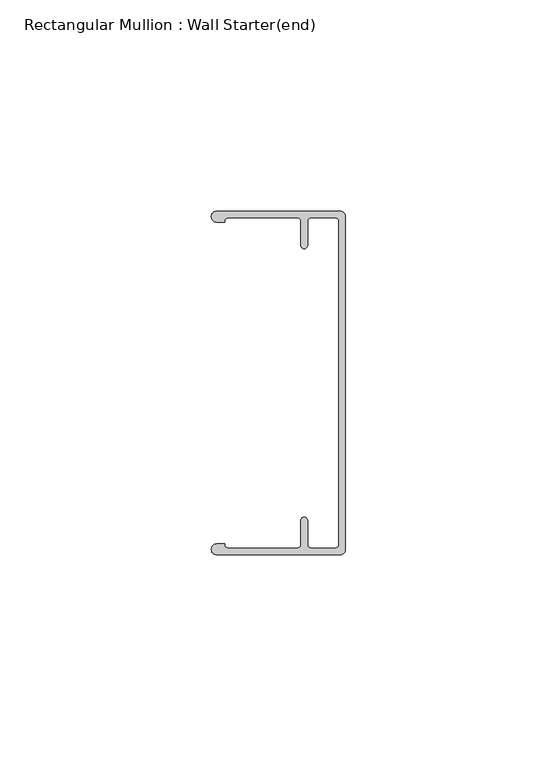
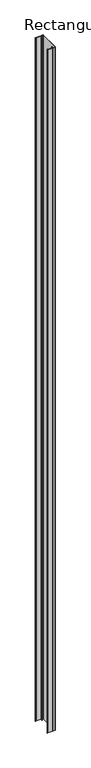
"""IFC4 building model written with IfcOpenShell, lengths in millimetres: member geometry, Rectangular Mullion : Wall Starter(end)."""

from ifc_helpers import new_model, si_unit, point, frame, frame_2d, origin, place, context, project, spatial, polyline, circle_curve, trimmed, segment, composite_curve, outline, extrude, source, transform, mapped, element, save


def rectangular_mullion_wall_starter_end_313b1ad4(model_context):
    return source(origin(), model_context, "Body", "SweptSolid", [
        extrude(outline(composite_curve([segment(trimmed(circle_curve(frame_2d((-1.27, -39.37)), 1.27), [point((0.0, -39.37))], [point((-1.27, -40.64))], False, "CARTESIAN"), True, "CONTINUOUS"), segment(polyline([(-1.27, -40.64), (-30.48, -40.64)]), True, "CONTINUOUS"), segment(trimmed(circle_curve(frame_2d((-30.48, -39.37)), 1.27), [point((-30.48, -40.64))], [point((-30.48, -38.1))], False, "CARTESIAN"), True, "CONTINUOUS"), segment(polyline([(-30.48, -38.1), (-28.575, -38.1)]), True, "CONTINUOUS"), segment(trimmed(circle_curve(frame_2d((-27.7819543, -38.256818)), 0.8084017), [point((-28.575, -38.1))], [point((-27.7876, -39.0652))], True, "CARTESIAN"), True, "CONTINUOUS"), segment(polyline([(-27.7876, -39.0652), (-11.3284, -39.0652)]), True, "CONTINUOUS"), segment(trimmed(circle_curve(frame_2d((-11.3284, -38.2778)), 0.7874), [point((-11.3284, -39.0652))], [point((-10.541, -38.2778))], True, "CARTESIAN"), True, "CONTINUOUS"), segment(polyline([(-10.541, -38.2778), (-10.541, -32.5374)]), True, "CONTINUOUS"), segment(trimmed(circle_curve(frame_2d((-9.7536, -32.5374)), 0.7874), [point((-10.541, -32.5374))], [point((-8.9662, -32.5374))], False, "CARTESIAN"), True, "CONTINUOUS"), segment(polyline([(-8.9662, -32.5374), (-8.9662, -38.2778)]), True, "CONTINUOUS"), segment(trimmed(circle_curve(frame_2d((-8.1788, -38.2778)), 0.7874), [point((-8.9662, -38.2778))], [point((-8.1788, -39.0652))], True, "CARTESIAN"), True, "CONTINUOUS"), segment(polyline([(-8.1788, -39.0652), (-2.3622, -39.0652)]), True, "CONTINUOUS"), segment(trimmed(circle_curve(frame_2d((-2.3622, -38.2778)), 0.7874), [point((-2.3622, -39.0652))], [point((-1.5748, -38.2778))], True, "CARTESIAN"), True, "CONTINUOUS"), segment(polyline([(-1.5748, -38.2778), (-1.5748, 38.2778)]), True, "CONTINUOUS"), segment(trimmed(circle_curve(frame_2d((-2.3622, 38.2778)), 0.7874), [point((-1.5748, 38.2778))], [point((-2.3622, 39.0652))], True, "CARTESIAN"), True, "CONTINUOUS"), segment(polyline([(-2.3622, 39.0652), (-8.1788, 39.0652)]), True, "CONTINUOUS"), segment(trimmed(circle_curve(frame_2d((-8.1788, 38.2778)), 0.7874), [point((-8.1788, 39.0652))], [point((-8.9662, 38.2778))], True, "CARTESIAN"), True, "CONTINUOUS"), segment(polyline([(-8.9662, 38.2778), (-8.9662, 32.5374)]), True, "CONTINUOUS"), segment(trimmed(circle_curve(frame_2d((-9.7536, 32.5374)), 0.7874), [point((-8.9662, 32.5374))], [point((-10.541, 32.5374))], False, "CARTESIAN"), True, "CONTINUOUS"), segment(polyline([(-10.541, 32.5374), (-10.541, 38.2778)]), True, "CONTINUOUS"), segment(trimmed(circle_curve(frame_2d((-11.3284, 38.2778)), 0.7874), [point((-10.541, 38.2778))], [point((-11.3284, 39.0652))], True, "CARTESIAN"), True, "CONTINUOUS"), segment(polyline([(-11.3284, 39.0652), (-27.7876, 39.0652)]), True, "CONTINUOUS"), segment(trimmed(circle_curve(frame_2d((-27.7773547, 38.2530657)), 0.8121989), [point((-27.7876, 39.0652))], [point((-28.575, 38.1))], True, "CARTESIAN"), True, "CONTINUOUS"), segment(polyline([(-28.575, 38.1), (-30.48, 38.1)]), True, "CONTINUOUS"), segment(trimmed(circle_curve(frame_2d((-30.48, 39.37)), 1.27), [point((-30.48, 38.1))], [point((-30.48, 40.64))], False, "CARTESIAN"), True, "CONTINUOUS"), segment(polyline([(-30.48, 40.64), (-1.27, 40.64)]), True, "CONTINUOUS"), segment(trimmed(circle_curve(frame_2d((-1.27, 39.37)), 1.27), [point((-1.27, 40.64))], [point((0.0, 39.37))], False, "CARTESIAN"), True, "CONTINUOUS"), segment(polyline([(0.0, 39.37), (0.0, -39.37)]), True, "CONTINUOUS")], self_intersect=False)), frame((0.0, 0.0, -2743.2), z_axis=(0.0, 0.0, 1.0), x_axis=(1.0, 0.0, 0.0)), (0.0, 0.0, 1.0), 2743.2),
    ])


if __name__ == "__main__":
    model = new_model("IFC4")
    model_context = context("Model", 3, world=origin())
    ifc_project = project(units=[si_unit("LENGTHUNIT", "METRE", prefix="MILLI")], contexts=[model_context])
    site = spatial("IfcSite", under=ifc_project)
    building = spatial("IfcBuilding", under=site)
    placement = place(None, origin())
    rectangular_mullion_wall_starter_end_shape = rectangular_mullion_wall_starter_end_313b1ad4(model_context)
    element("IfcMember", 1, ObjectType="Rectangular Mullion : Wall Starter(end)", at=placement, inside=building, context=model_context, shape_type="MappedRepresentation", body=[
        mapped(rectangular_mullion_wall_starter_end_shape, transform((0.0, 0.0, 0.0), x_axis=(1.0, 0.0, 0.0), y_axis=(0.0, 1.0, 0.0), z_axis=(0.0, 0.0, 1.0))),
    ])
    save(model, "model.ifc")
